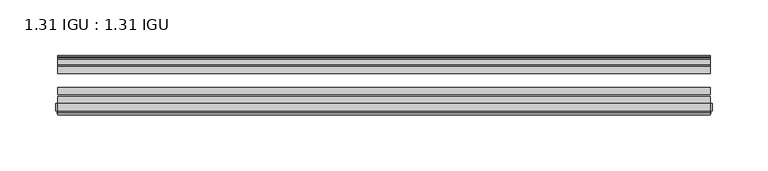
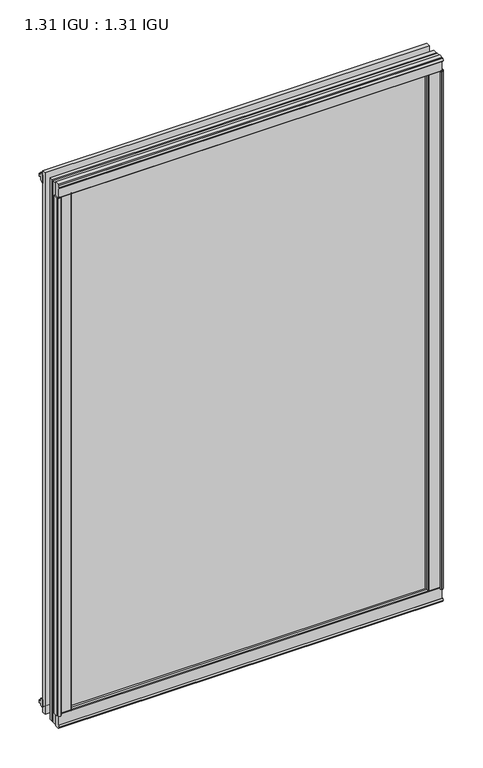
"""IFC4 building model written with IfcOpenShell, lengths in millimetres: plate geometry, 1.31 IGU : 1.31 IGU."""

from ifc_helpers import new_model, si_unit, point, frame, frame_2d, origin, origin_with_axes, place, context, project, spatial, polyline, circle_curve, trimmed, segment, composite_curve, outline, extrude, source, transform, mapped, element, save


def plate_1_31_igu_1_31_igu_0f0e4276(model_context):
    return source(origin(), model_context, "Body", "SweptSolid", [
        extrude(outline(polyline([(279.4065235, -11.1943457), (278.0044901, -11.5700195), (277.7744, -10.7113114), (280.1874, -10.06475), (282.6004, -10.7113114), (282.3703099, -11.5700195), (280.9682765, -11.1943457), (281.5844, -13.49375), (285.2629741, -13.49375), (285.2629741, -18.1284104), (283.8343294, -19.84375), (272.1216588, -19.84375), (273.8374, -13.49375), (278.7904, -13.49375), (279.4065235, -11.1943457)])), origin_with_axes(), (0.0, 0.0, 1.0), 831.85),
        extrude(outline(polyline([(-279.4065235, -11.1943457), (-278.7904, -13.49375), (-273.8374, -13.49375), (-272.1216588, -19.84375), (-283.8343294, -19.84375), (-285.2629741, -18.1284104), (-285.2629741, -13.49375), (-281.5844, -13.49375), (-280.9682765, -11.1943457), (-282.3703099, -11.5700195), (-282.6004, -10.7113114), (-280.1874, -10.06475), (-277.7744, -10.7113114), (-278.0044901, -11.5700195), (-279.4065235, -11.1943457)])), origin_with_axes(), (0.0, 0.0, 1.0), 831.85),
        extrude(outline(polyline([(-13.49375, -5.7276998), (-11.1943457, -6.3438233), (-11.5700195, -4.9417899), (-10.7113114, -4.7116998), (-10.06475, -7.1246998), (-10.7113114, -9.5376998), (-11.5700195, -9.3076097), (-11.1943457, -7.9055763), (-13.49375, -8.5216998), (-13.49375, -12.2002739), (-18.1284104, -12.2002739), (-19.84375, -10.7716292), (-19.84375, 0.9410414), (-13.49375, -0.7746998), (-13.49375, -5.7276998)])), frame((-292.1, 0.0, 0.0), z_axis=(1.0, 0.0, 0.0), x_axis=(0.0, 1.0, 0.0)), (0.0, 0.0, 1.0), 584.2),
        extrude(outline(composite_curve([segment(polyline([(-55.9719113, 2.457708), (-53.16855, 3.0868452), (-53.16855, -20.9097918), (-59.51855, -20.9097918), (-59.51855, -18.6868471), (-62.0391488, -18.0752025), (-61.5965021, -19.0933159), (-61.5965021, -19.98942), (-63.2729251, -17.4063265), (-61.3290281, -15.2058028), (-61.3290281, -16.0360741), (-61.9417436, -16.9618553), (-59.51855, -16.8077164), (-59.51855, 0.6826418)]), True, "CONTINUOUS"), segment(trimmed(circle_curve(frame_2d((-58.24855, 0.6826418)), 1.27), [point((-59.51855, 0.6826418))], [point((-58.6007815, 1.9028193))], False, "CARTESIAN"), True, "CONTINUOUS"), segment(polyline([(-58.6007815, 1.9028193), (-55.9719113, 2.457708)]), True, "CONTINUOUS")], self_intersect=False)), frame((-292.1, 0.0, 0.0), z_axis=(1.0, 0.0, 0.0), x_axis=(0.0, 1.0, 0.0)), (0.0, 0.0, 1.0), 584.2),
        extrude(outline(polyline([(-13.49375, 837.5776998), (-13.49375, 832.6246998), (-19.84375, 830.9089586), (-19.84375, 842.6216292), (-18.1284104, 844.0502739), (-13.49375, 844.0502739), (-13.49375, 840.3716998), (-11.1943457, 839.7555763), (-11.5700195, 841.1576097), (-10.7113114, 841.3876998), (-10.06475, 838.9746998), (-10.7113114, 836.5616998), (-11.5700195, 836.7917899), (-11.1943457, 838.1938233), (-13.49375, 837.5776998)])), frame((-292.1, 0.0, 0.0), z_axis=(1.0, 0.0, 0.0), x_axis=(0.0, 1.0, 0.0)), (0.0, 0.0, 1.0), 584.2),
        extrude(outline(composite_curve([segment(polyline([(-55.9719113, 829.392292), (-58.6007815, 829.9471807)]), True, "CONTINUOUS"), segment(trimmed(circle_curve(frame_2d((-58.24855, 831.1673582)), 1.27), [point((-58.6007815, 829.9471807))], [point((-59.51855, 831.1673582))], False, "CARTESIAN"), True, "CONTINUOUS"), segment(polyline([(-59.51855, 831.1673582), (-59.51855, 848.6577164), (-61.9417436, 848.8118553), (-61.3290281, 847.8860741), (-61.3290281, 847.0558028), (-63.2729251, 849.2563265), (-61.5965021, 851.83942), (-61.5965021, 850.9433159), (-62.0391488, 849.9252025), (-59.51855, 850.5368471), (-59.51855, 852.7597918), (-53.16855, 852.7597918), (-53.16855, 828.7631548), (-55.9719113, 829.392292)]), True, "CONTINUOUS")], self_intersect=False)), frame((-292.1, 0.0, 0.0), z_axis=(1.0, 0.0, 0.0), x_axis=(0.0, 1.0, 0.0)), (0.0, 0.0, 1.0), 584.2),
        extrude(outline(composite_curve([segment(polyline([(-290.4690267, -63.2729251), (-293.0521202, -61.5965021), (-292.1560161, -61.5965021), (-291.1379027, -62.0391488), (-291.7495473, -59.51855), (-293.972492, -59.51855), (-293.972492, -53.16855), (-269.975855, -53.16855), (-270.6049922, -55.9719113), (-271.1598809, -58.6007815)]), True, "CONTINUOUS"), segment(trimmed(circle_curve(frame_2d((-272.3800584, -58.24855)), 1.27), [point((-271.1598809, -58.6007815))], [point((-272.3800584, -59.51855))], False, "CARTESIAN"), True, "CONTINUOUS"), segment(polyline([(-272.3800584, -59.51855), (-289.8704166, -59.51855), (-290.0245555, -61.9417436), (-289.0987743, -61.3290281), (-288.2872463, -61.3290281), (-290.4690267, -63.2729251)]), True, "CONTINUOUS")], self_intersect=False)), origin_with_axes(), (0.0, 0.0, 1.0), 831.85),
        extrude(outline(composite_curve([segment(polyline([(290.4690267, -63.2729251), (288.2872463, -61.3290281), (289.0987743, -61.3290281), (290.0245555, -61.9417436), (289.8704166, -59.51855), (272.3800584, -59.51855)]), True, "CONTINUOUS"), segment(trimmed(circle_curve(frame_2d((272.3800584, -58.24855)), 1.27), [point((272.3800584, -59.51855))], [point((271.1598809, -58.6007815))], False, "CARTESIAN"), True, "CONTINUOUS"), segment(polyline([(271.1598809, -58.6007815), (270.6049922, -55.9719113), (269.975855, -53.16855), (293.972492, -53.16855), (293.972492, -59.51855), (291.7495473, -59.51855), (291.1379027, -62.0391488), (292.1560161, -61.5965021), (293.0521202, -61.5965021), (290.4690267, -63.2729251)]), True, "CONTINUOUS")], self_intersect=False)), origin_with_axes(), (0.0, 0.0, 1.0), 831.85),
        extrude(outline(polyline([(292.1, -19.84375), (292.1, -26.14295), (-292.1, -26.14295), (-292.1, -19.84375), (292.1, -19.84375)])), frame((0.0, 0.0, -19.05), z_axis=(0.0, 0.0, 1.0), x_axis=(1.0, 0.0, 0.0)), (0.0, 0.0, 1.0), 869.95),
        extrude(outline(polyline([(-292.1, -44.83735), (-292.1, -38.53815), (292.1, -38.53815), (292.1, -44.83735), (-292.1, -44.83735)])), frame((0.0, 0.0, -19.05), z_axis=(0.0, 0.0, 1.0), x_axis=(1.0, 0.0, 0.0)), (0.0, 0.0, 1.0), 869.95),
        extrude(outline(polyline([(-292.1, -53.16855), (-292.1, -46.86935), (292.1, -46.86935), (292.1, -53.16855), (-292.1, -53.16855)])), frame((0.0, 0.0, -19.05), z_axis=(0.0, 0.0, 1.0), x_axis=(1.0, 0.0, 0.0)), (0.0, 0.0, 1.0), 869.95),
    ])


if __name__ == "__main__":
    model = new_model("IFC4")
    model_context = context("Model", 3, world=origin())
    ifc_project = project(units=[si_unit("LENGTHUNIT", "METRE", prefix="MILLI")], contexts=[model_context])
    site = spatial("IfcSite", under=ifc_project)
    building = spatial("IfcBuilding", under=site)
    placement = place(None, origin())
    plate_1_31_igu_1_31_igu_shape = plate_1_31_igu_1_31_igu_0f0e4276(model_context)
    element("IfcPlate", 1, ObjectType="1.31 IGU : 1.31 IGU", at=placement, inside=building, context=model_context, shape_type="MappedRepresentation", body=[
        mapped(plate_1_31_igu_1_31_igu_shape, transform((0.0, 0.0, 0.0), x_axis=(1.0, 0.0, 0.0), y_axis=(0.0, 1.0, 0.0), z_axis=(0.0, 0.0, 1.0))),
    ])
    save(model, "model.ifc")
